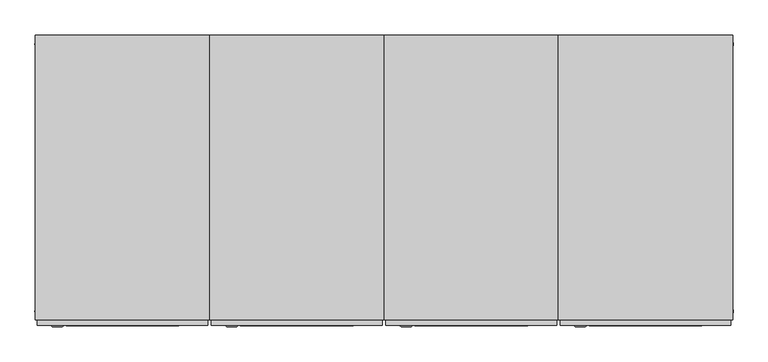
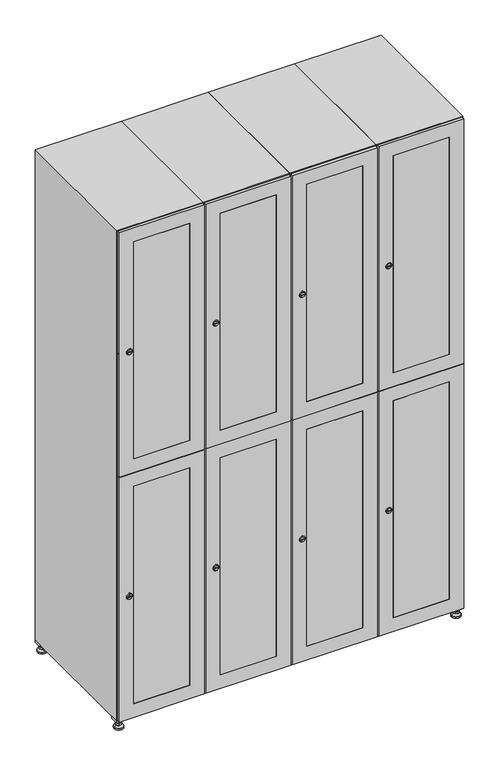
"""IFC4 building model written with IfcOpenShell, lengths in millimetres: furniture geometry."""

from ifc_helpers import new_model, si_unit, point, frame, frame_2d, origin, origin_with_axes, place, context, project, spatial, polyline, circle_curve, trimmed, segment, composite_curve, outline, extrude, faceted_brep, source, transform, mapped, element, save
from ifc_brep_helpers import plane_surface, revolved_surface, advanced_brep


def furniture_bf72d0c6(model_context):
    return source(origin(), model_context, "Body", "SolidModel", [
        extrude(outline(polyline([(1000.0, 245.0), (1000.0, 215.0), (970.0, 215.0), (970.0, 245.0), (1000.0, 245.0)]), holes=[polyline([(998.0, 243.0), (972.0, 243.0), (972.0, 217.0), (998.0, 217.0), (998.0, 243.0)])]), frame((0.0, 0.0, 28.5), z_axis=(0.0, 0.0, 1.0), x_axis=(1.0, 0.0, 0.0)), (0.0, 0.0, 1.0), 6.5),
        extrude(outline(polyline([(970.0, -245.0), (970.0, -215.0), (1000.0, -215.0), (1000.0, -245.0), (970.0, -245.0)]), holes=[polyline([(972.0, -243.0), (998.0, -243.0), (998.0, -217.0), (972.0, -217.0), (972.0, -243.0)])]), frame((0.0, 0.0, 28.5), z_axis=(0.0, 0.0, 1.0), x_axis=(1.0, 0.0, 0.0)), (0.0, 0.0, 1.0), 6.5),
        extrude(outline(polyline([(-170.0, 245.0), (-170.0, 215.0), (-200.0, 215.0), (-200.0, 245.0), (-170.0, 245.0)]), holes=[polyline([(-172.0, 243.0), (-198.0, 243.0), (-198.0, 217.0), (-172.0, 217.0), (-172.0, 243.0)])]), frame((0.0, 0.0, 28.5), z_axis=(0.0, 0.0, 1.0), x_axis=(1.0, 0.0, 0.0)), (0.0, 0.0, 1.0), 6.5),
        extrude(outline(polyline([(-170.0, -215.0), (-170.0, -245.0), (-200.0, -245.0), (-200.0, -215.0), (-170.0, -215.0)]), holes=[polyline([(-198.0, -243.0), (-172.0, -243.0), (-172.0, -217.0), (-198.0, -217.0), (-198.0, -243.0)])]), frame((0.0, 0.0, 28.5), z_axis=(0.0, 0.0, 1.0), x_axis=(1.0, 0.0, 0.0)), (0.0, 0.0, 1.0), 6.5),
        extrude(outline(composite_curve([segment(trimmed(circle_curve(frame_2d((-185.0, 230.0)), 5.0), [point((-180.0, 230.0))], [point((-190.0, 230.0))], False, "CARTESIAN"), True, "CONTINUOUS"), segment(trimmed(circle_curve(frame_2d((-185.0, 230.0)), 5.0), [point((-190.0, 230.0))], [point((-180.0, 230.0))], False, "CARTESIAN"), True, "CONTINUOUS")], self_intersect=False)), frame((0.0, 0.0, 19.6), z_axis=(0.0, 0.0, 1.0), x_axis=(1.0, 0.0, 0.0)), (0.0, 0.0, 1.0), 15.4),
        extrude(outline(composite_curve([segment(trimmed(circle_curve(frame_2d((-185.0, -230.0)), 5.0), [point((-180.0, -230.0))], [point((-190.0, -230.0))], False, "CARTESIAN"), True, "CONTINUOUS"), segment(trimmed(circle_curve(frame_2d((-185.0, -230.0)), 5.0), [point((-190.0, -230.0))], [point((-180.0, -230.0))], False, "CARTESIAN"), True, "CONTINUOUS")], self_intersect=False)), frame((0.0, 0.0, 19.6), z_axis=(0.0, 0.0, 1.0), x_axis=(1.0, 0.0, 0.0)), (0.0, 0.0, 1.0), 15.4),
        extrude(outline(composite_curve([segment(trimmed(circle_curve(frame_2d((985.0, 230.0)), 5.0), [point((990.0, 230.0))], [point((980.0, 230.0))], False, "CARTESIAN"), True, "CONTINUOUS"), segment(trimmed(circle_curve(frame_2d((985.0, 230.0)), 5.0), [point((980.0, 230.0))], [point((990.0, 230.0))], False, "CARTESIAN"), True, "CONTINUOUS")], self_intersect=False)), frame((0.0, 0.0, 19.6), z_axis=(0.0, 0.0, 1.0), x_axis=(1.0, 0.0, 0.0)), (0.0, 0.0, 1.0), 15.4),
        extrude(outline(polyline([(973.4529946, 230.0), (979.2264973, 240.0), (990.7735027, 240.0), (996.5470054, 230.0), (990.7735027, 220.0), (979.2264973, 220.0), (973.4529946, 230.0)])), frame((0.0, 0.0, 13.6), z_axis=(0.0, 0.0, 1.0), x_axis=(1.0, 0.0, 0.0)), (0.0, 0.0, 1.0), 6.0),
        extrude(outline(composite_curve([segment(trimmed(circle_curve(frame_2d((985.0, -230.0)), 5.0), [point((990.0, -230.0))], [point((980.0, -230.0))], False, "CARTESIAN"), True, "CONTINUOUS"), segment(trimmed(circle_curve(frame_2d((985.0, -230.0)), 5.0), [point((980.0, -230.0))], [point((990.0, -230.0))], False, "CARTESIAN"), True, "CONTINUOUS")], self_intersect=False)), frame((0.0, 0.0, 19.6), z_axis=(0.0, 0.0, 1.0), x_axis=(1.0, 0.0, 0.0)), (0.0, 0.0, 1.0), 15.4),
        extrude(outline(polyline([(973.4529946, -230.0), (979.2264973, -220.0), (990.7735027, -220.0), (996.5470054, -230.0), (990.7735027, -240.0), (979.2264973, -240.0), (973.4529946, -230.0)])), frame((0.0, 0.0, 13.6), z_axis=(0.0, 0.0, 1.0), x_axis=(1.0, 0.0, 0.0)), (0.0, 0.0, 1.0), 6.0),
        extrude(outline(composite_curve([segment(trimmed(circle_curve(frame_2d((985.0, 230.0)), 5.0), [point((990.0, 230.0))], [point((980.0, 230.0))], False, "CARTESIAN"), True, "CONTINUOUS"), segment(trimmed(circle_curve(frame_2d((985.0, 230.0)), 5.0), [point((980.0, 230.0))], [point((990.0, 230.0))], False, "CARTESIAN"), True, "CONTINUOUS")], self_intersect=False)), frame((0.0, 0.0, 12.1), z_axis=(0.0, 0.0, 1.0), x_axis=(1.0, 0.0, 0.0)), (0.0, 0.0, 1.0), 1.5),
        extrude(outline(composite_curve([segment(trimmed(circle_curve(frame_2d((985.0, -230.0)), 5.0), [point((990.0, -230.0))], [point((980.0, -230.0))], False, "CARTESIAN"), True, "CONTINUOUS"), segment(trimmed(circle_curve(frame_2d((985.0, -230.0)), 5.0), [point((980.0, -230.0))], [point((990.0, -230.0))], False, "CARTESIAN"), True, "CONTINUOUS")], self_intersect=False)), frame((0.0, 0.0, 12.1), z_axis=(0.0, 0.0, 1.0), x_axis=(1.0, 0.0, 0.0)), (0.0, 0.0, 1.0), 1.5),
        extrude(outline(polyline([(-196.5470054, 230.0), (-190.7735027, 240.0), (-179.2264973, 240.0), (-173.4529946, 230.0), (-179.2264973, 220.0), (-190.7735027, 220.0), (-196.5470054, 230.0)])), frame((0.0, 0.0, 13.6), z_axis=(0.0, 0.0, 1.0), x_axis=(1.0, 0.0, 0.0)), (0.0, 0.0, 1.0), 6.0),
        extrude(outline(polyline([(-196.5470054, -230.0), (-190.7735027, -220.0), (-179.2264973, -220.0), (-173.4529946, -230.0), (-179.2264973, -240.0), (-190.7735027, -240.0), (-196.5470054, -230.0)])), frame((0.0, 0.0, 13.6), z_axis=(0.0, 0.0, 1.0), x_axis=(1.0, 0.0, 0.0)), (0.0, 0.0, 1.0), 6.0),
        extrude(outline(composite_curve([segment(trimmed(circle_curve(frame_2d((-185.0, 230.0)), 5.0), [point((-185.0, 235.0))], [point((-185.0, 225.0))], False, "CARTESIAN"), True, "CONTINUOUS"), segment(trimmed(circle_curve(frame_2d((-185.0, 230.0)), 5.0), [point((-185.0, 225.0))], [point((-185.0, 235.0))], False, "CARTESIAN"), True, "CONTINUOUS")], self_intersect=False)), frame((0.0, 0.0, 12.1), z_axis=(0.0, 0.0, 1.0), x_axis=(1.0, 0.0, 0.0)), (0.0, 0.0, 1.0), 1.5),
        extrude(outline(composite_curve([segment(trimmed(circle_curve(frame_2d((-185.0, -230.0)), 5.0), [point((-180.0, -230.0))], [point((-190.0, -230.0))], False, "CARTESIAN"), True, "CONTINUOUS"), segment(trimmed(circle_curve(frame_2d((-185.0, -230.0)), 5.0), [point((-190.0, -230.0))], [point((-180.0, -230.0))], False, "CARTESIAN"), True, "CONTINUOUS")], self_intersect=False)), frame((0.0, 0.0, 12.1), z_axis=(0.0, 0.0, 1.0), x_axis=(1.0, 0.0, 0.0)), (0.0, 0.0, 1.0), 1.5),
        extrude(outline(composite_curve([segment(trimmed(circle_curve(frame_2d((985.0, 230.0)), 15.75), [point((1000.75, 230.0))], [point((969.25, 230.0))], False, "CARTESIAN"), True, "CONTINUOUS"), segment(trimmed(circle_curve(frame_2d((985.0, 230.0)), 15.75), [point((969.25, 230.0))], [point((1000.75, 230.0))], False, "CARTESIAN"), True, "CONTINUOUS")], self_intersect=False)), origin_with_axes(), (0.0, 0.0, 1.0), 5.1),
        extrude(outline(composite_curve([segment(trimmed(circle_curve(frame_2d((985.0, -230.0)), 15.75), [point((985.0, -214.25))], [point((985.0, -245.75))], False, "CARTESIAN"), True, "CONTINUOUS"), segment(trimmed(circle_curve(frame_2d((985.0, -230.0)), 15.75), [point((985.0, -245.75))], [point((985.0, -214.25))], False, "CARTESIAN"), True, "CONTINUOUS")], self_intersect=False)), origin_with_axes(), (0.0, 0.0, 1.0), 5.1),
        extrude(outline(composite_curve([segment(trimmed(circle_curve(frame_2d((-185.0, -230.0)), 15.75), [point((-169.25, -230.0))], [point((-200.75, -230.0))], False, "CARTESIAN"), True, "CONTINUOUS"), segment(trimmed(circle_curve(frame_2d((-185.0, -230.0)), 15.75), [point((-200.75, -230.0))], [point((-169.25, -230.0))], False, "CARTESIAN"), True, "CONTINUOUS")], self_intersect=False)), origin_with_axes(), (0.0, 0.0, 1.0), 5.1),
        extrude(outline(composite_curve([segment(trimmed(circle_curve(frame_2d((-185.0, 230.0)), 15.75), [point((-169.25, 230.0))], [point((-200.75, 230.0))], False, "CARTESIAN"), True, "CONTINUOUS"), segment(trimmed(circle_curve(frame_2d((-185.0, 230.0)), 15.75), [point((-200.75, 230.0))], [point((-169.25, 230.0))], False, "CARTESIAN"), True, "CONTINUOUS")], self_intersect=False)), origin_with_axes(), (0.0, 0.0, 1.0), 5.1),
        advanced_brep(
        [(-185.0, 239.5, 12.1), (-185.0, 220.5, 12.1), (-185.0, 214.25, 5.1), (-185.0, 245.75, 5.1)],
        [
            (0, 1, circle_curve(frame((-185.0, 230.0, 12.1), z_axis=(0.0, 0.0, -1.0), x_axis=(0.0, 1.0, 0.0)), 9.5)),
            (1, 2),
            (2, 3, circle_curve(frame((-185.0, 230.0, 5.1), z_axis=(0.0, 0.0, 1.0), x_axis=(0.0, 1.0, 0.0)), 15.75)),
            (3, 0),
            (1, 0, circle_curve(frame((-185.0, 230.0, 12.1), z_axis=(0.0, 0.0, -1.0), x_axis=(0.0, -1.0, 0.0)), 9.5)),
            (3, 2, circle_curve(frame((-185.0, 230.0, 5.1), z_axis=(0.0, 0.0, 1.0), x_axis=(0.0, -1.0, 0.0)), 15.75)),
        ],
        [
            revolved_surface(polyline([(-185.0, 220.5, 12.099999999999998), (-185.0, 214.25, 5.099999999999998)]), (-185.0, 230.0, 22.74), (0.0, 0.0, -1.0)),
            revolved_surface(polyline([(-185.0, 239.5, 12.099999999999998), (-185.0, 245.75, 5.099999999999998)]), (-185.0, 230.0, 22.74), (0.0, 0.0, -1.0)),
            plane_surface(frame((-185.0, 230.0, 5.1), z_axis=(0.0, 0.0, -1.0), x_axis=(1.0, 0.0, 0.0))),
            plane_surface(frame((-185.0, 230.0, 12.1), z_axis=(0.0, 0.0, 1.0), x_axis=(1.0, 0.0, 0.0))),
        ],
        [
            (0, [[1, 2, 3, 4]]),
            (1, [[5, -4, 6, -2]]),
            (2, [[-3, -6]]),
            (3, [[-5, -1]]),
        ],
    ),
        advanced_brep(
        [(985.0, 239.5, 12.1), (985.0, 220.5, 12.1), (985.0, 214.25, 5.1), (985.0, 245.75, 5.1)],
        [
            (0, 1, circle_curve(frame((985.0, 230.0, 12.1), z_axis=(0.0, 0.0, -1.0), x_axis=(0.0, 1.0, 0.0)), 9.5)),
            (1, 2),
            (2, 3, circle_curve(frame((985.0, 230.0, 5.1), z_axis=(0.0, 0.0, 1.0), x_axis=(0.0, 1.0, 0.0)), 15.75)),
            (3, 0),
            (1, 0, circle_curve(frame((985.0, 230.0, 12.1), z_axis=(0.0, 0.0, -1.0), x_axis=(0.0, -1.0, 0.0)), 9.5)),
            (3, 2, circle_curve(frame((985.0, 230.0, 5.1), z_axis=(0.0, 0.0, 1.0), x_axis=(0.0, -1.0, 0.0)), 15.75)),
        ],
        [
            revolved_surface(polyline([(985.0, 220.5, 12.099999999999998), (985.0, 214.25, 5.099999999999998)]), (985.0, 230.0, 22.74), (0.0, 0.0, -1.0)),
            revolved_surface(polyline([(985.0, 239.5, 12.099999999999998), (985.0, 245.75, 5.099999999999998)]), (985.0, 230.0, 22.74), (0.0, 0.0, -1.0)),
            plane_surface(frame((985.0, 230.0, 5.1), z_axis=(0.0, 0.0, -1.0), x_axis=(1.0, 0.0, 0.0))),
            plane_surface(frame((985.0, 230.0, 12.1), z_axis=(0.0, 0.0, 1.0), x_axis=(1.0, 0.0, 0.0))),
        ],
        [
            (0, [[1, 2, 3, 4]]),
            (1, [[5, -4, 6, -2]]),
            (2, [[-3, -6]]),
            (3, [[-5, -1]]),
        ],
    ),
        advanced_brep(
        [(1000.75, -230.0, 5.1), (969.25, -230.0, 5.1), (975.5, -230.0, 12.1), (994.5, -230.0, 12.1)],
        [
            (0, 1, circle_curve(frame((985.0, -230.0, 5.1), z_axis=(0.0, 0.0, 1.0), x_axis=(1.0, 0.0, 0.0)), 15.75)),
            (1, 2),
            (2, 3, circle_curve(frame((985.0, -230.0, 12.1), z_axis=(0.0, 0.0, -1.0), x_axis=(1.0, 0.0, 0.0)), 9.5)),
            (3, 0),
            (1, 0, circle_curve(frame((985.0, -230.0, 5.1), z_axis=(0.0, 0.0, 1.0), x_axis=(-1.0, 0.0, 0.0)), 15.75)),
            (3, 2, circle_curve(frame((985.0, -230.0, 12.1), z_axis=(0.0, 0.0, -1.0), x_axis=(-1.0, 0.0, 0.0)), 9.5)),
        ],
        [
            revolved_surface(polyline([(994.5, -230.0, 12.099999999999998), (1000.75, -230.0, 5.099999999999998)]), (985.0, -230.0, 22.74), (0.0, 0.0, -1.0)),
            revolved_surface(polyline([(975.5, -230.0, 12.099999999999998), (969.25, -230.0, 5.099999999999998)]), (985.0, -230.0, 22.74), (0.0, 0.0, -1.0)),
            plane_surface(frame((985.0, -230.0, 12.1), z_axis=(0.0, 0.0, 1.0), x_axis=(0.0, 1.0, 0.0))),
            plane_surface(frame((985.0, -230.0, 5.1), z_axis=(0.0, 0.0, -1.0), x_axis=(0.0, 1.0, 0.0))),
        ],
        [
            (0, [[1, 2, 3, 4]]),
            (1, [[5, -4, 6, -2]]),
            (2, [[-3, -6]]),
            (3, [[-5, -1]]),
        ],
    ),
        advanced_brep(
        [(-169.25, -230.0, 5.1), (-200.75, -230.0, 5.1), (-194.5, -230.0, 12.1), (-175.5, -230.0, 12.1)],
        [
            (0, 1, circle_curve(frame((-185.0, -230.0, 5.1), z_axis=(0.0, 0.0, 1.0), x_axis=(1.0, 0.0, 0.0)), 15.75)),
            (1, 2),
            (2, 3, circle_curve(frame((-185.0, -230.0, 12.1), z_axis=(0.0, 0.0, -1.0), x_axis=(1.0, 0.0, 0.0)), 9.5)),
            (3, 0),
            (1, 0, circle_curve(frame((-185.0, -230.0, 5.1), z_axis=(0.0, 0.0, 1.0), x_axis=(-1.0, 0.0, 0.0)), 15.75)),
            (3, 2, circle_curve(frame((-185.0, -230.0, 12.1), z_axis=(0.0, 0.0, -1.0), x_axis=(-1.0, 0.0, 0.0)), 9.5)),
        ],
        [
            revolved_surface(polyline([(-175.5, -230.0, 12.099999999999998), (-169.25, -230.0, 5.099999999999998)]), (-185.0, -230.0, 22.74), (0.0, 0.0, -1.0)),
            revolved_surface(polyline([(-194.5, -230.0, 12.099999999999998), (-200.75, -230.0, 5.099999999999998)]), (-185.0, -230.0, 22.74), (0.0, 0.0, -1.0)),
            plane_surface(frame((-185.0, -230.0, 12.1), z_axis=(0.0, 0.0, 1.0), x_axis=(0.0, 1.0, 0.0))),
            plane_surface(frame((-185.0, -230.0, 5.1), z_axis=(0.0, 0.0, -1.0), x_axis=(0.0, 1.0, 0.0))),
        ],
        [
            (0, [[1, 2, 3, 4]]),
            (1, [[5, -4, 6, -2]]),
            (2, [[-3, -6]]),
            (3, [[-5, -1]]),
        ],
    ),
        extrude(outline(composite_curve([segment(trimmed(circle_curve(frame_2d((1383.5, 711.2010534)), 7.0), [point((1390.5, 711.2010534))], [point((1376.5, 711.2010534))], False, "CARTESIAN"), True, "CONTINUOUS"), segment(polyline([(1376.5, 711.2010534), (1376.5, 739.2010534)]), True, "CONTINUOUS"), segment(trimmed(circle_curve(frame_2d((1383.5, 739.2010534)), 7.0), [point((1376.5, 739.2010534))], [point((1390.5, 739.2010534))], False, "CARTESIAN"), True, "CONTINUOUS"), segment(polyline([(1390.5, 739.2010534), (1390.5, 711.2010534)]), True, "CONTINUOUS")], self_intersect=False)), frame((0.0, -245.0, 0.0), z_axis=(0.0, 1.0, 0.0), x_axis=(0.0, 0.0, 1.0)), (0.0, 0.0, 1.0), 2.0),
        advanced_brep(
        [(746.5, -257.2, 1383.5), (729.5, -257.2, 1383.5), (733.0, -257.2, 1382.25), (733.0, -257.2, 1384.75), (743.0, -257.2, 1384.75), (743.0, -257.2, 1382.25), (748.5, -255.0, 1383.5), (727.5, -255.0, 1383.5), (733.0, -255.0, 1384.75), (733.0, -255.0, 1382.25), (743.0, -255.0, 1382.25), (743.0, -255.0, 1384.75)],
        [
            (0, 1, circle_curve(frame((738.0, -257.2, 1383.5), z_axis=(0.0, -1.0, 0.0), x_axis=(1.0, 0.0, 0.0)), 8.5)),
            (1, 0, circle_curve(frame((738.0, -257.2, 1383.5), z_axis=(0.0, -1.0, 0.0), x_axis=(-1.0, 0.0, 0.0)), 8.5)),
            (2, 3),
            (3, 4),
            (4, 5),
            (5, 2),
            (6, 7, circle_curve(frame((738.0, -255.0, 1383.5), z_axis=(0.0, 1.0, 0.0), x_axis=(-1.0, 0.0, 0.0)), 10.5)),
            (7, 6, circle_curve(frame((738.0, -255.0, 1383.5), z_axis=(0.0, 1.0, 0.0), x_axis=(1.0, 0.0, 0.0)), 10.5)),
            (8, 9),
            (9, 10),
            (10, 11),
            (11, 8),
            (0, 6),
            (7, 1),
            (8, 3),
            (2, 9),
            (11, 4),
            (10, 5),
        ],
        [
            plane_surface(frame((738.0, -257.2, 1383.5), z_axis=(0.0, -1.0, 0.0), x_axis=(0.0, 0.0, 1.0))),
            plane_surface(frame((738.0, -255.0, 1383.5), z_axis=(0.0, 1.0, 0.0), x_axis=(0.0, 0.0, 1.0))),
            revolved_surface(polyline([(746.5, -257.2, 1383.5), (748.5, -255.0, 1383.5)]), (738.0, -266.55, 1383.5), (0.0, 1.0, 0.0)),
            revolved_surface(polyline([(729.5, -257.2, 1383.5), (727.5, -255.0, 1383.5)]), (738.0, -266.55, 1383.5), (0.0, 1.0, 0.0)),
            plane_surface(frame((733.0, -255.0, 1382.25), z_axis=(1.0, 0.0, 0.0), x_axis=(0.0, -1.0, 0.0))),
            plane_surface(frame((733.0, -255.0, 1384.75), z_axis=(0.0, 0.0, -1.0), x_axis=(0.0, -1.0, 0.0))),
            plane_surface(frame((743.0, -255.0, 1384.75), z_axis=(-1.0, 0.0, 0.0), x_axis=(0.0, -1.0, 0.0))),
            plane_surface(frame((743.0, -255.0, 1382.25), z_axis=(0.0, 0.0, 1.0), x_axis=(0.0, -1.0, 0.0))),
        ],
        [
            (0, [[1, 2], [3, 4, 5, 6]]),
            (1, [[7, 8], [9, 10, 11, 12]]),
            (2, [[-1, 13, -8, 14]]),
            (3, [[-2, -14, -7, -13]]),
            (4, [[15, -3, 16, -9]]),
            (5, [[-15, -12, 17, -4]]),
            (6, [[-17, -11, 18, -5]]),
            (7, [[-16, -6, -18, -10]]),
        ],
    ),
        extrude(outline(composite_curve([segment(trimmed(circle_curve(frame_2d((486.5, 711.2010534)), 7.0), [point((493.5, 711.2010534))], [point((479.5, 711.2010534))], False, "CARTESIAN"), True, "CONTINUOUS"), segment(polyline([(479.5, 711.2010534), (479.5, 739.2010534)]), True, "CONTINUOUS"), segment(trimmed(circle_curve(frame_2d((486.5, 739.2010534)), 7.0), [point((479.5, 739.2010534))], [point((493.5, 739.2010534))], False, "CARTESIAN"), True, "CONTINUOUS"), segment(polyline([(493.5, 739.2010534), (493.5, 711.2010534)]), True, "CONTINUOUS")], self_intersect=False)), frame((0.0, -245.0, 0.0), z_axis=(0.0, 1.0, 0.0), x_axis=(0.0, 0.0, 1.0)), (0.0, 0.0, 1.0), 2.0),
        advanced_brep(
        [(746.5, -257.2, 486.5), (729.5, -257.2, 486.5), (733.0, -257.2, 485.25), (733.0, -257.2, 487.75), (743.0, -257.2, 487.75), (743.0, -257.2, 485.25), (748.5, -255.0, 486.5), (727.5, -255.0, 486.5), (733.0, -255.0, 487.75), (733.0, -255.0, 485.25), (743.0, -255.0, 485.25), (743.0, -255.0, 487.75)],
        [
            (0, 1, circle_curve(frame((738.0, -257.2, 486.5), z_axis=(0.0, -1.0, 0.0), x_axis=(1.0, 0.0, 0.0)), 8.5)),
            (1, 0, circle_curve(frame((738.0, -257.2, 486.5), z_axis=(0.0, -1.0, 0.0), x_axis=(-1.0, 0.0, 0.0)), 8.5)),
            (2, 3),
            (3, 4),
            (4, 5),
            (5, 2),
            (6, 7, circle_curve(frame((738.0, -255.0, 486.5), z_axis=(0.0, 1.0, 0.0), x_axis=(-1.0, 0.0, 0.0)), 10.5)),
            (7, 6, circle_curve(frame((738.0, -255.0, 486.5), z_axis=(0.0, 1.0, 0.0), x_axis=(1.0, 0.0, 0.0)), 10.5)),
            (8, 9),
            (9, 10),
            (10, 11),
            (11, 8),
            (0, 6),
            (7, 1),
            (8, 3),
            (2, 9),
            (11, 4),
            (10, 5),
        ],
        [
            plane_surface(frame((738.0, -257.2, 486.5), z_axis=(0.0, -1.0, 0.0), x_axis=(0.0, 0.0, 1.0))),
            plane_surface(frame((738.0, -255.0, 486.5), z_axis=(0.0, 1.0, 0.0), x_axis=(0.0, 0.0, 1.0))),
            revolved_surface(polyline([(746.5, -257.2, 486.5), (748.5, -255.0, 486.5)]), (738.0, -266.55, 486.5), (0.0, 1.0, 0.0)),
            revolved_surface(polyline([(729.5, -257.2, 486.5), (727.5, -255.0, 486.5)]), (738.0, -266.55, 486.5), (0.0, 1.0, 0.0)),
            plane_surface(frame((733.0, -255.0, 485.25), z_axis=(1.0, 0.0, 0.0), x_axis=(0.0, -1.0, 0.0))),
            plane_surface(frame((733.0, -255.0, 487.75), z_axis=(0.0, 0.0, -1.0), x_axis=(0.0, -1.0, 0.0))),
            plane_surface(frame((743.0, -255.0, 487.75), z_axis=(-1.0, 0.0, 0.0), x_axis=(0.0, -1.0, 0.0))),
            plane_surface(frame((743.0, -255.0, 485.25), z_axis=(0.0, 0.0, 1.0), x_axis=(0.0, -1.0, 0.0))),
        ],
        [
            (0, [[1, 2], [3, 4, 5, 6]]),
            (1, [[7, 8], [9, 10, 11, 12]]),
            (2, [[-1, 13, -8, 14]]),
            (3, [[-2, -14, -7, -13]]),
            (4, [[15, -3, 16, -9]]),
            (5, [[-15, -12, 17, -4]]),
            (6, [[-17, -11, 18, -5]]),
            (7, [[-16, -6, -18, -10]]),
        ],
    ),
        extrude(outline(polyline([(935.5, 997.0), (1832.0, 997.0), (1832.0, 703.0), (935.5, 703.0), (935.5, 997.0)]), holes=[polyline([(1782.0, 753.0), (1782.0, 947.0), (985.5, 947.0), (985.5, 753.0), (1782.0, 753.0)])]), frame((0.0, -255.0, 0.0), z_axis=(0.0, 1.0, 0.0), x_axis=(0.0, 0.0, 1.0)), (0.0, 0.0, 1.0), 10.0),
        extrude(outline(polyline([(934.5, 703.0), (38.0, 703.0), (38.0, 997.0), (934.5, 997.0), (934.5, 703.0)]), holes=[polyline([(88.0, 753.0), (884.5, 753.0), (884.5, 947.0), (88.0, 947.0), (88.0, 753.0)])]), frame((0.0, -255.0, 0.0), z_axis=(0.0, 1.0, 0.0), x_axis=(0.0, 0.0, 1.0)), (0.0, 0.0, 1.0), 10.0),
        extrude(outline(polyline([(947.0, -255.0), (753.0, -255.0), (753.0, -245.0), (947.0, -245.0), (947.0, -255.0)])), frame((0.0, 0.0, 985.5), z_axis=(0.0, 0.0, 1.0), x_axis=(1.0, 0.0, 0.0)), (0.0, 0.0, 1.0), 796.5),
        extrude(outline(polyline([(947.0, -255.0), (753.0, -255.0), (753.0, -245.0), (947.0, -245.0), (947.0, -255.0)])), frame((0.0, 0.0, 88.0), z_axis=(0.0, 0.0, 1.0), x_axis=(1.0, 0.0, 0.0)), (0.0, 0.0, 1.0), 796.5),
        extrude(outline(polyline([(979.6, 242.0), (979.6, -235.0), (720.4, -235.0), (720.4, 242.0), (979.6, 242.0)])), frame((0.0, 0.0, 924.8), z_axis=(0.0, 0.0, 1.0), x_axis=(1.0, 0.0, 0.0)), (0.0, 0.0, 1.0), 20.4),
        faceted_brep([(1000.0, -245.0, 35.0), (1000.0, -245.0, 1835.0), (700.0, -245.0, 1835.0), (700.0, -245.0, 35.0), (979.6, -245.0, 1804.8), (979.6, -245.0, 65.2), (720.4, -245.0, 65.2), (720.4, -245.0, 1804.8), (1000.0, 245.0, 35.0), (700.0, 245.0, 35.0), (1000.0, 245.0, 1835.0), (700.0, 245.0, 1835.0), (979.6, 242.0, 1804.8), (979.6, 242.0, 65.2), (700.0, 245.0, 1804.8), (720.4, 242.0, 1804.8), (720.4, 242.0, 65.2)], [[[0, 1, 2, 3], [4, 5, 6, 7]], [[8, 0, 3, 9]], [[1, 0, 8, 10]], [[1, 10, 11, 2]], [[4, 12, 13, 5]], [[9, 3, 2, 11, 14]], [[10, 8, 9, 14, 11]], [[12, 15, 16, 13]], [[15, 7, 6, 16]], [[4, 7, 15, 12]], [[6, 5, 13, 16]]]),
        extrude(outline(composite_curve([segment(trimmed(circle_curve(frame_2d((1383.5, 411.2010534)), 7.0), [point((1390.5, 411.2010534))], [point((1376.5, 411.2010534))], False, "CARTESIAN"), True, "CONTINUOUS"), segment(polyline([(1376.5, 411.2010534), (1376.5, 439.2010534)]), True, "CONTINUOUS"), segment(trimmed(circle_curve(frame_2d((1383.5, 439.2010534)), 7.0), [point((1376.5, 439.2010534))], [point((1390.5, 439.2010534))], False, "CARTESIAN"), True, "CONTINUOUS"), segment(polyline([(1390.5, 439.2010534), (1390.5, 411.2010534)]), True, "CONTINUOUS")], self_intersect=False)), frame((0.0, -245.0, 0.0), z_axis=(0.0, 1.0, 0.0), x_axis=(0.0, 0.0, 1.0)), (0.0, 0.0, 1.0), 2.0),
        advanced_brep(
        [(446.5, -257.2, 1383.5), (429.5, -257.2, 1383.5), (433.0, -257.2, 1382.25), (433.0, -257.2, 1384.75), (443.0, -257.2, 1384.75), (443.0, -257.2, 1382.25), (448.5, -255.0, 1383.5), (427.5, -255.0, 1383.5), (433.0, -255.0, 1384.75), (433.0, -255.0, 1382.25), (443.0, -255.0, 1382.25), (443.0, -255.0, 1384.75)],
        [
            (0, 1, circle_curve(frame((438.0, -257.2, 1383.5), z_axis=(0.0, -1.0, 0.0), x_axis=(1.0, 0.0, 0.0)), 8.5)),
            (1, 0, circle_curve(frame((438.0, -257.2, 1383.5), z_axis=(0.0, -1.0, 0.0), x_axis=(-1.0, 0.0, 0.0)), 8.5)),
            (2, 3),
            (3, 4),
            (4, 5),
            (5, 2),
            (6, 7, circle_curve(frame((438.0, -255.0, 1383.5), z_axis=(0.0, 1.0, 0.0), x_axis=(-1.0, 0.0, 0.0)), 10.5)),
            (7, 6, circle_curve(frame((438.0, -255.0, 1383.5), z_axis=(0.0, 1.0, 0.0), x_axis=(1.0, 0.0, 0.0)), 10.5)),
            (8, 9),
            (9, 10),
            (10, 11),
            (11, 8),
            (0, 6),
            (7, 1),
            (8, 3),
            (2, 9),
            (11, 4),
            (10, 5),
        ],
        [
            plane_surface(frame((438.0, -257.2, 1383.5), z_axis=(0.0, -1.0, 0.0), x_axis=(0.0, 0.0, 1.0))),
            plane_surface(frame((438.0, -255.0, 1383.5), z_axis=(0.0, 1.0, 0.0), x_axis=(0.0, 0.0, 1.0))),
            revolved_surface(polyline([(446.5, -257.2, 1383.5), (448.5, -255.0, 1383.5)]), (438.0, -266.55, 1383.5), (0.0, 1.0, 0.0)),
            revolved_surface(polyline([(429.5, -257.2, 1383.5), (427.5, -255.0, 1383.5)]), (438.0, -266.55, 1383.5), (0.0, 1.0, 0.0)),
            plane_surface(frame((433.0, -255.0, 1382.25), z_axis=(1.0, 0.0, 0.0), x_axis=(0.0, -1.0, 0.0))),
            plane_surface(frame((433.0, -255.0, 1384.75), z_axis=(0.0, 0.0, -1.0), x_axis=(0.0, -1.0, 0.0))),
            plane_surface(frame((443.0, -255.0, 1384.75), z_axis=(-1.0, 0.0, 0.0), x_axis=(0.0, -1.0, 0.0))),
            plane_surface(frame((443.0, -255.0, 1382.25), z_axis=(0.0, 0.0, 1.0), x_axis=(0.0, -1.0, 0.0))),
        ],
        [
            (0, [[1, 2], [3, 4, 5, 6]]),
            (1, [[7, 8], [9, 10, 11, 12]]),
            (2, [[-1, 13, -8, 14]]),
            (3, [[-2, -14, -7, -13]]),
            (4, [[15, -3, 16, -9]]),
            (5, [[-15, -12, 17, -4]]),
            (6, [[-17, -11, 18, -5]]),
            (7, [[-16, -6, -18, -10]]),
        ],
    ),
        extrude(outline(composite_curve([segment(trimmed(circle_curve(frame_2d((486.5, 411.2010534)), 7.0), [point((493.5, 411.2010534))], [point((479.5, 411.2010534))], False, "CARTESIAN"), True, "CONTINUOUS"), segment(polyline([(479.5, 411.2010534), (479.5, 439.2010534)]), True, "CONTINUOUS"), segment(trimmed(circle_curve(frame_2d((486.5, 439.2010534)), 7.0), [point((479.5, 439.2010534))], [point((493.5, 439.2010534))], False, "CARTESIAN"), True, "CONTINUOUS"), segment(polyline([(493.5, 439.2010534), (493.5, 411.2010534)]), True, "CONTINUOUS")], self_intersect=False)), frame((0.0, -245.0, 0.0), z_axis=(0.0, 1.0, 0.0), x_axis=(0.0, 0.0, 1.0)), (0.0, 0.0, 1.0), 2.0),
        advanced_brep(
        [(446.5, -257.2, 486.5), (429.5, -257.2, 486.5), (433.0, -257.2, 485.25), (433.0, -257.2, 487.75), (443.0, -257.2, 487.75), (443.0, -257.2, 485.25), (448.5, -255.0, 486.5), (427.5, -255.0, 486.5), (433.0, -255.0, 487.75), (433.0, -255.0, 485.25), (443.0, -255.0, 485.25), (443.0, -255.0, 487.75)],
        [
            (0, 1, circle_curve(frame((438.0, -257.2, 486.5), z_axis=(0.0, -1.0, 0.0), x_axis=(1.0, 0.0, 0.0)), 8.5)),
            (1, 0, circle_curve(frame((438.0, -257.2, 486.5), z_axis=(0.0, -1.0, 0.0), x_axis=(-1.0, 0.0, 0.0)), 8.5)),
            (2, 3),
            (3, 4),
            (4, 5),
            (5, 2),
            (6, 7, circle_curve(frame((438.0, -255.0, 486.5), z_axis=(0.0, 1.0, 0.0), x_axis=(-1.0, 0.0, 0.0)), 10.5)),
            (7, 6, circle_curve(frame((438.0, -255.0, 486.5), z_axis=(0.0, 1.0, 0.0), x_axis=(1.0, 0.0, 0.0)), 10.5)),
            (8, 9),
            (9, 10),
            (10, 11),
            (11, 8),
            (0, 6),
            (7, 1),
            (8, 3),
            (2, 9),
            (11, 4),
            (10, 5),
        ],
        [
            plane_surface(frame((438.0, -257.2, 486.5), z_axis=(0.0, -1.0, 0.0), x_axis=(0.0, 0.0, 1.0))),
            plane_surface(frame((438.0, -255.0, 486.5), z_axis=(0.0, 1.0, 0.0), x_axis=(0.0, 0.0, 1.0))),
            revolved_surface(polyline([(446.5, -257.2, 486.5), (448.5, -255.0, 486.5)]), (438.0, -266.55, 486.5), (0.0, 1.0, 0.0)),
            revolved_surface(polyline([(429.5, -257.2, 486.5), (427.5, -255.0, 486.5)]), (438.0, -266.55, 486.5), (0.0, 1.0, 0.0)),
            plane_surface(frame((433.0, -255.0, 485.25), z_axis=(1.0, 0.0, 0.0), x_axis=(0.0, -1.0, 0.0))),
            plane_surface(frame((433.0, -255.0, 487.75), z_axis=(0.0, 0.0, -1.0), x_axis=(0.0, -1.0, 0.0))),
            plane_surface(frame((443.0, -255.0, 487.75), z_axis=(-1.0, 0.0, 0.0), x_axis=(0.0, -1.0, 0.0))),
            plane_surface(frame((443.0, -255.0, 485.25), z_axis=(0.0, 0.0, 1.0), x_axis=(0.0, -1.0, 0.0))),
        ],
        [
            (0, [[1, 2], [3, 4, 5, 6]]),
            (1, [[7, 8], [9, 10, 11, 12]]),
            (2, [[-1, 13, -8, 14]]),
            (3, [[-2, -14, -7, -13]]),
            (4, [[15, -3, 16, -9]]),
            (5, [[-15, -12, 17, -4]]),
            (6, [[-17, -11, 18, -5]]),
            (7, [[-16, -6, -18, -10]]),
        ],
    ),
        extrude(outline(polyline([(935.5, 697.0), (1832.0, 697.0), (1832.0, 403.0), (935.5, 403.0), (935.5, 697.0)]), holes=[polyline([(1782.0, 453.0), (1782.0, 647.0), (985.5, 647.0), (985.5, 453.0), (1782.0, 453.0)])]), frame((0.0, -255.0, 0.0), z_axis=(0.0, 1.0, 0.0), x_axis=(0.0, 0.0, 1.0)), (0.0, 0.0, 1.0), 10.0),
        extrude(outline(polyline([(934.5, 403.0), (38.0, 403.0), (38.0, 697.0), (934.5, 697.0), (934.5, 403.0)]), holes=[polyline([(88.0, 453.0), (884.5, 453.0), (884.5, 647.0), (88.0, 647.0), (88.0, 453.0)])]), frame((0.0, -255.0, 0.0), z_axis=(0.0, 1.0, 0.0), x_axis=(0.0, 0.0, 1.0)), (0.0, 0.0, 1.0), 10.0),
        extrude(outline(polyline([(647.0, -255.0), (453.0, -255.0), (453.0, -245.0), (647.0, -245.0), (647.0, -255.0)])), frame((0.0, 0.0, 985.5), z_axis=(0.0, 0.0, 1.0), x_axis=(1.0, 0.0, 0.0)), (0.0, 0.0, 1.0), 796.5),
        extrude(outline(polyline([(647.0, -255.0), (453.0, -255.0), (453.0, -245.0), (647.0, -245.0), (647.0, -255.0)])), frame((0.0, 0.0, 88.0), z_axis=(0.0, 0.0, 1.0), x_axis=(1.0, 0.0, 0.0)), (0.0, 0.0, 1.0), 796.5),
        extrude(outline(polyline([(679.6, 242.0), (679.6, -235.0), (420.4, -235.0), (420.4, 242.0), (679.6, 242.0)])), frame((0.0, 0.0, 924.8), z_axis=(0.0, 0.0, 1.0), x_axis=(1.0, 0.0, 0.0)), (0.0, 0.0, 1.0), 20.4),
        faceted_brep([(700.0, -245.0, 35.0), (700.0, -245.0, 1835.0), (400.0, -245.0, 1835.0), (400.0, -245.0, 35.0), (679.6, -245.0, 1804.8), (679.6, -245.0, 65.2), (420.4, -245.0, 65.2), (420.4, -245.0, 1804.8), (700.0, 245.0, 35.0), (400.0, 245.0, 35.0), (700.0, 245.0, 1835.0), (400.0, 245.0, 1835.0), (679.6, 242.0, 1804.8), (679.6, 242.0, 65.2), (400.0, 245.0, 1804.8), (420.4, 242.0, 1804.8), (420.4, 242.0, 65.2)], [[[0, 1, 2, 3], [4, 5, 6, 7]], [[8, 0, 3, 9]], [[1, 0, 8, 10]], [[1, 10, 11, 2]], [[4, 12, 13, 5]], [[9, 3, 2, 11, 14]], [[10, 8, 9, 14, 11]], [[12, 15, 16, 13]], [[15, 7, 6, 16]], [[4, 7, 15, 12]], [[6, 5, 13, 16]]]),
        extrude(outline(composite_curve([segment(trimmed(circle_curve(frame_2d((1383.5, 111.2010534)), 7.0), [point((1390.5, 111.2010534))], [point((1376.5, 111.2010534))], False, "CARTESIAN"), True, "CONTINUOUS"), segment(polyline([(1376.5, 111.2010534), (1376.5, 139.2010534)]), True, "CONTINUOUS"), segment(trimmed(circle_curve(frame_2d((1383.5, 139.2010534)), 7.0), [point((1376.5, 139.2010534))], [point((1390.5, 139.2010534))], False, "CARTESIAN"), True, "CONTINUOUS"), segment(polyline([(1390.5, 139.2010534), (1390.5, 111.2010534)]), True, "CONTINUOUS")], self_intersect=False)), frame((0.0, -245.0, 0.0), z_axis=(0.0, 1.0, 0.0), x_axis=(0.0, 0.0, 1.0)), (0.0, 0.0, 1.0), 2.0),
        advanced_brep(
        [(146.5, -257.2, 1383.5), (129.5, -257.2, 1383.5), (133.0, -257.2, 1382.25), (133.0, -257.2, 1384.75), (143.0, -257.2, 1384.75), (143.0, -257.2, 1382.25), (148.5, -255.0, 1383.5), (127.5, -255.0, 1383.5), (133.0, -255.0, 1384.75), (133.0, -255.0, 1382.25), (143.0, -255.0, 1382.25), (143.0, -255.0, 1384.75)],
        [
            (0, 1, circle_curve(frame((138.0, -257.2, 1383.5), z_axis=(0.0, -1.0, 0.0), x_axis=(1.0, 0.0, 0.0)), 8.5)),
            (1, 0, circle_curve(frame((138.0, -257.2, 1383.5), z_axis=(0.0, -1.0, 0.0), x_axis=(-1.0, 0.0, 0.0)), 8.5)),
            (2, 3),
            (3, 4),
            (4, 5),
            (5, 2),
            (6, 7, circle_curve(frame((138.0, -255.0, 1383.5), z_axis=(0.0, 1.0, 0.0), x_axis=(-1.0, 0.0, 0.0)), 10.5)),
            (7, 6, circle_curve(frame((138.0, -255.0, 1383.5), z_axis=(0.0, 1.0, 0.0), x_axis=(1.0, 0.0, 0.0)), 10.5)),
            (8, 9),
            (9, 10),
            (10, 11),
            (11, 8),
            (0, 6),
            (7, 1),
            (8, 3),
            (2, 9),
            (11, 4),
            (10, 5),
        ],
        [
            plane_surface(frame((138.0, -257.2, 1383.5), z_axis=(0.0, -1.0, 0.0), x_axis=(0.0, 0.0, 1.0))),
            plane_surface(frame((138.0, -255.0, 1383.5), z_axis=(0.0, 1.0, 0.0), x_axis=(0.0, 0.0, 1.0))),
            revolved_surface(polyline([(146.5, -257.2, 1383.5), (148.5, -255.0, 1383.5)]), (138.0, -266.55, 1383.5), (0.0, 1.0, 0.0)),
            revolved_surface(polyline([(129.5, -257.2, 1383.5), (127.5, -255.0, 1383.5)]), (138.0, -266.55, 1383.5), (0.0, 1.0, 0.0)),
            plane_surface(frame((133.0, -255.0, 1382.25), z_axis=(1.0, 0.0, 0.0), x_axis=(0.0, -1.0, 0.0))),
            plane_surface(frame((133.0, -255.0, 1384.75), z_axis=(0.0, 0.0, -1.0), x_axis=(0.0, -1.0, 0.0))),
            plane_surface(frame((143.0, -255.0, 1384.75), z_axis=(-1.0, 0.0, 0.0), x_axis=(0.0, -1.0, 0.0))),
            plane_surface(frame((143.0, -255.0, 1382.25), z_axis=(0.0, 0.0, 1.0), x_axis=(0.0, -1.0, 0.0))),
        ],
        [
            (0, [[1, 2], [3, 4, 5, 6]]),
            (1, [[7, 8], [9, 10, 11, 12]]),
            (2, [[-1, 13, -8, 14]]),
            (3, [[-2, -14, -7, -13]]),
            (4, [[15, -3, 16, -9]]),
            (5, [[-15, -12, 17, -4]]),
            (6, [[-17, -11, 18, -5]]),
            (7, [[-16, -6, -18, -10]]),
        ],
    ),
        extrude(outline(composite_curve([segment(trimmed(circle_curve(frame_2d((486.5, 111.2010534)), 7.0), [point((493.5, 111.2010534))], [point((479.5, 111.2010534))], False, "CARTESIAN"), True, "CONTINUOUS"), segment(polyline([(479.5, 111.2010534), (479.5, 139.2010534)]), True, "CONTINUOUS"), segment(trimmed(circle_curve(frame_2d((486.5, 139.2010534)), 7.0), [point((479.5, 139.2010534))], [point((493.5, 139.2010534))], False, "CARTESIAN"), True, "CONTINUOUS"), segment(polyline([(493.5, 139.2010534), (493.5, 111.2010534)]), True, "CONTINUOUS")], self_intersect=False)), frame((0.0, -245.0, 0.0), z_axis=(0.0, 1.0, 0.0), x_axis=(0.0, 0.0, 1.0)), (0.0, 0.0, 1.0), 2.0),
        advanced_brep(
        [(146.5, -257.2, 486.5), (129.5, -257.2, 486.5), (133.0, -257.2, 485.25), (133.0, -257.2, 487.75), (143.0, -257.2, 487.75), (143.0, -257.2, 485.25), (148.5, -255.0, 486.5), (127.5, -255.0, 486.5), (133.0, -255.0, 487.75), (133.0, -255.0, 485.25), (143.0, -255.0, 485.25), (143.0, -255.0, 487.75)],
        [
            (0, 1, circle_curve(frame((138.0, -257.2, 486.5), z_axis=(0.0, -1.0, 0.0), x_axis=(1.0, 0.0, 0.0)), 8.5)),
            (1, 0, circle_curve(frame((138.0, -257.2, 486.5), z_axis=(0.0, -1.0, 0.0), x_axis=(-1.0, 0.0, 0.0)), 8.5)),
            (2, 3),
            (3, 4),
            (4, 5),
            (5, 2),
            (6, 7, circle_curve(frame((138.0, -255.0, 486.5), z_axis=(0.0, 1.0, 0.0), x_axis=(-1.0, 0.0, 0.0)), 10.5)),
            (7, 6, circle_curve(frame((138.0, -255.0, 486.5), z_axis=(0.0, 1.0, 0.0), x_axis=(1.0, 0.0, 0.0)), 10.5)),
            (8, 9),
            (9, 10),
            (10, 11),
            (11, 8),
            (0, 6),
            (7, 1),
            (8, 3),
            (2, 9),
            (11, 4),
            (10, 5),
        ],
        [
            plane_surface(frame((138.0, -257.2, 486.5), z_axis=(0.0, -1.0, 0.0), x_axis=(0.0, 0.0, 1.0))),
            plane_surface(frame((138.0, -255.0, 486.5), z_axis=(0.0, 1.0, 0.0), x_axis=(0.0, 0.0, 1.0))),
            revolved_surface(polyline([(146.5, -257.2, 486.5), (148.5, -255.0, 486.5)]), (138.0, -266.55, 486.5), (0.0, 1.0, 0.0)),
            revolved_surface(polyline([(129.5, -257.2, 486.5), (127.5, -255.0, 486.5)]), (138.0, -266.55, 486.5), (0.0, 1.0, 0.0)),
            plane_surface(frame((133.0, -255.0, 485.25), z_axis=(1.0, 0.0, 0.0), x_axis=(0.0, -1.0, 0.0))),
            plane_surface(frame((133.0, -255.0, 487.75), z_axis=(0.0, 0.0, -1.0), x_axis=(0.0, -1.0, 0.0))),
            plane_surface(frame((143.0, -255.0, 487.75), z_axis=(-1.0, 0.0, 0.0), x_axis=(0.0, -1.0, 0.0))),
            plane_surface(frame((143.0, -255.0, 485.25), z_axis=(0.0, 0.0, 1.0), x_axis=(0.0, -1.0, 0.0))),
        ],
        [
            (0, [[1, 2], [3, 4, 5, 6]]),
            (1, [[7, 8], [9, 10, 11, 12]]),
            (2, [[-1, 13, -8, 14]]),
            (3, [[-2, -14, -7, -13]]),
            (4, [[15, -3, 16, -9]]),
            (5, [[-15, -12, 17, -4]]),
            (6, [[-17, -11, 18, -5]]),
            (7, [[-16, -6, -18, -10]]),
        ],
    ),
        extrude(outline(polyline([(935.5, 397.0), (1832.0, 397.0), (1832.0, 103.0), (935.5, 103.0), (935.5, 397.0)]), holes=[polyline([(1782.0, 153.0), (1782.0, 347.0), (985.5, 347.0), (985.5, 153.0), (1782.0, 153.0)])]), frame((0.0, -255.0, 0.0), z_axis=(0.0, 1.0, 0.0), x_axis=(0.0, 0.0, 1.0)), (0.0, 0.0, 1.0), 10.0),
        extrude(outline(polyline([(934.5, 103.0), (38.0, 103.0), (38.0, 397.0), (934.5, 397.0), (934.5, 103.0)]), holes=[polyline([(88.0, 153.0), (884.5, 153.0), (884.5, 347.0), (88.0, 347.0), (88.0, 153.0)])]), frame((0.0, -255.0, 0.0), z_axis=(0.0, 1.0, 0.0), x_axis=(0.0, 0.0, 1.0)), (0.0, 0.0, 1.0), 10.0),
        extrude(outline(polyline([(347.0, -255.0), (153.0, -255.0), (153.0, -245.0), (347.0, -245.0), (347.0, -255.0)])), frame((0.0, 0.0, 985.5), z_axis=(0.0, 0.0, 1.0), x_axis=(1.0, 0.0, 0.0)), (0.0, 0.0, 1.0), 796.5),
        extrude(outline(polyline([(347.0, -255.0), (153.0, -255.0), (153.0, -245.0), (347.0, -245.0), (347.0, -255.0)])), frame((0.0, 0.0, 88.0), z_axis=(0.0, 0.0, 1.0), x_axis=(1.0, 0.0, 0.0)), (0.0, 0.0, 1.0), 796.5),
        extrude(outline(polyline([(379.6, 242.0), (379.6, -235.0), (120.4, -235.0), (120.4, 242.0), (379.6, 242.0)])), frame((0.0, 0.0, 924.8), z_axis=(0.0, 0.0, 1.0), x_axis=(1.0, 0.0, 0.0)), (0.0, 0.0, 1.0), 20.4),
        faceted_brep([(400.0, -245.0, 35.0), (400.0, -245.0, 1835.0), (100.0, -245.0, 1835.0), (100.0, -245.0, 35.0), (379.6, -245.0, 1804.8), (379.6, -245.0, 65.2), (120.4, -245.0, 65.2), (120.4, -245.0, 1804.8), (400.0, 245.0, 35.0), (100.0, 245.0, 35.0), (400.0, 245.0, 1835.0), (100.0, 245.0, 1835.0), (379.6, 242.0, 1804.8), (379.6, 242.0, 65.2), (100.0, 245.0, 1804.8), (120.4, 242.0, 1804.8), (120.4, 242.0, 65.2)], [[[0, 1, 2, 3], [4, 5, 6, 7]], [[8, 0, 3, 9]], [[1, 0, 8, 10]], [[1, 10, 11, 2]], [[4, 12, 13, 5]], [[9, 3, 2, 11, 14]], [[10, 8, 9, 14, 11]], [[12, 15, 16, 13]], [[15, 7, 6, 16]], [[4, 7, 15, 12]], [[6, 5, 13, 16]]]),
        extrude(outline(composite_curve([segment(trimmed(circle_curve(frame_2d((1383.5, -188.7989466)), 7.0), [point((1390.5, -188.7989466))], [point((1376.5, -188.7989466))], False, "CARTESIAN"), True, "CONTINUOUS"), segment(polyline([(1376.5, -188.7989466), (1376.5, -160.7989466)]), True, "CONTINUOUS"), segment(trimmed(circle_curve(frame_2d((1383.5, -160.7989466)), 7.0), [point((1376.5, -160.7989466))], [point((1390.5, -160.7989466))], False, "CARTESIAN"), True, "CONTINUOUS"), segment(polyline([(1390.5, -160.7989466), (1390.5, -188.7989466)]), True, "CONTINUOUS")], self_intersect=False)), frame((0.0, -245.0, 0.0), z_axis=(0.0, 1.0, 0.0), x_axis=(0.0, 0.0, 1.0)), (0.0, 0.0, 1.0), 2.0),
        advanced_brep(
        [(-153.5, -257.2, 1383.5), (-170.5, -257.2, 1383.5), (-167.0, -257.2, 1382.25), (-167.0, -257.2, 1384.75), (-157.0, -257.2, 1384.75), (-157.0, -257.2, 1382.25), (-151.5, -255.0, 1383.5), (-172.5, -255.0, 1383.5), (-167.0, -255.0, 1384.75), (-167.0, -255.0, 1382.25), (-157.0, -255.0, 1382.25), (-157.0, -255.0, 1384.75)],
        [
            (0, 1, circle_curve(frame((-162.0, -257.2, 1383.5), z_axis=(0.0, -1.0, 0.0), x_axis=(1.0, 0.0, 0.0)), 8.5)),
            (1, 0, circle_curve(frame((-162.0, -257.2, 1383.5), z_axis=(0.0, -1.0, 0.0), x_axis=(-1.0, 0.0, 0.0)), 8.5)),
            (2, 3),
            (3, 4),
            (4, 5),
            (5, 2),
            (6, 7, circle_curve(frame((-162.0, -255.0, 1383.5), z_axis=(0.0, 1.0, 0.0), x_axis=(-1.0, 0.0, 0.0)), 10.5)),
            (7, 6, circle_curve(frame((-162.0, -255.0, 1383.5), z_axis=(0.0, 1.0, 0.0), x_axis=(1.0, 0.0, 0.0)), 10.5)),
            (8, 9),
            (9, 10),
            (10, 11),
            (11, 8),
            (0, 6),
            (7, 1),
            (8, 3),
            (2, 9),
            (11, 4),
            (10, 5),
        ],
        [
            plane_surface(frame((-162.0, -257.2, 1383.5), z_axis=(0.0, -1.0, 0.0), x_axis=(0.0, 0.0, 1.0))),
            plane_surface(frame((-162.0, -255.0, 1383.5), z_axis=(0.0, 1.0, 0.0), x_axis=(0.0, 0.0, 1.0))),
            revolved_surface(polyline([(-153.5, -257.2, 1383.5), (-151.5, -255.0, 1383.5)]), (-162.0, -266.55, 1383.5), (0.0, 1.0, 0.0)),
            revolved_surface(polyline([(-170.5, -257.2, 1383.5), (-172.5, -255.0, 1383.5)]), (-162.0, -266.55, 1383.5), (0.0, 1.0, 0.0)),
            plane_surface(frame((-167.0, -255.0, 1382.25), z_axis=(1.0, 0.0, 0.0), x_axis=(0.0, -1.0, 0.0))),
            plane_surface(frame((-167.0, -255.0, 1384.75), z_axis=(0.0, 0.0, -1.0), x_axis=(0.0, -1.0, 0.0))),
            plane_surface(frame((-157.0, -255.0, 1384.75), z_axis=(-1.0, 0.0, 0.0), x_axis=(0.0, -1.0, 0.0))),
            plane_surface(frame((-157.0, -255.0, 1382.25), z_axis=(0.0, 0.0, 1.0), x_axis=(0.0, -1.0, 0.0))),
        ],
        [
            (0, [[1, 2], [3, 4, 5, 6]]),
            (1, [[7, 8], [9, 10, 11, 12]]),
            (2, [[-1, 13, -8, 14]]),
            (3, [[-2, -14, -7, -13]]),
            (4, [[15, -3, 16, -9]]),
            (5, [[-15, -12, 17, -4]]),
            (6, [[-17, -11, 18, -5]]),
            (7, [[-16, -6, -18, -10]]),
        ],
    ),
        extrude(outline(composite_curve([segment(trimmed(circle_curve(frame_2d((486.5, -188.7989466)), 7.0), [point((493.5, -188.7989466))], [point((479.5, -188.7989466))], False, "CARTESIAN"), True, "CONTINUOUS"), segment(polyline([(479.5, -188.7989466), (479.5, -160.7989466)]), True, "CONTINUOUS"), segment(trimmed(circle_curve(frame_2d((486.5, -160.7989466)), 7.0), [point((479.5, -160.7989466))], [point((493.5, -160.7989466))], False, "CARTESIAN"), True, "CONTINUOUS"), segment(polyline([(493.5, -160.7989466), (493.5, -188.7989466)]), True, "CONTINUOUS")], self_intersect=False)), frame((0.0, -245.0, 0.0), z_axis=(0.0, 1.0, 0.0), x_axis=(0.0, 0.0, 1.0)), (0.0, 0.0, 1.0), 2.0),
        advanced_brep(
        [(-153.5, -257.2, 486.5), (-170.5, -257.2, 486.5), (-167.0, -257.2, 485.25), (-167.0, -257.2, 487.75), (-157.0, -257.2, 487.75), (-157.0, -257.2, 485.25), (-151.5, -255.0, 486.5), (-172.5, -255.0, 486.5), (-167.0, -255.0, 487.75), (-167.0, -255.0, 485.25), (-157.0, -255.0, 485.25), (-157.0, -255.0, 487.75)],
        [
            (0, 1, circle_curve(frame((-162.0, -257.2, 486.5), z_axis=(0.0, -1.0, 0.0), x_axis=(1.0, 0.0, 0.0)), 8.5)),
            (1, 0, circle_curve(frame((-162.0, -257.2, 486.5), z_axis=(0.0, -1.0, 0.0), x_axis=(-1.0, 0.0, 0.0)), 8.5)),
            (2, 3),
            (3, 4),
            (4, 5),
            (5, 2),
            (6, 7, circle_curve(frame((-162.0, -255.0, 486.5), z_axis=(0.0, 1.0, 0.0), x_axis=(-1.0, 0.0, 0.0)), 10.5)),
            (7, 6, circle_curve(frame((-162.0, -255.0, 486.5), z_axis=(0.0, 1.0, 0.0), x_axis=(1.0, 0.0, 0.0)), 10.5)),
            (8, 9),
            (9, 10),
            (10, 11),
            (11, 8),
            (0, 6),
            (7, 1),
            (8, 3),
            (2, 9),
            (11, 4),
            (10, 5),
        ],
        [
            plane_surface(frame((-162.0, -257.2, 486.5), z_axis=(0.0, -1.0, 0.0), x_axis=(0.0, 0.0, 1.0))),
            plane_surface(frame((-162.0, -255.0, 486.5), z_axis=(0.0, 1.0, 0.0), x_axis=(0.0, 0.0, 1.0))),
            revolved_surface(polyline([(-153.5, -257.2, 486.5), (-151.5, -255.0, 486.5)]), (-162.0, -266.55, 486.5), (0.0, 1.0, 0.0)),
            revolved_surface(polyline([(-170.5, -257.2, 486.5), (-172.5, -255.0, 486.5)]), (-162.0, -266.55, 486.5), (0.0, 1.0, 0.0)),
            plane_surface(frame((-167.0, -255.0, 485.25), z_axis=(1.0, 0.0, 0.0), x_axis=(0.0, -1.0, 0.0))),
            plane_surface(frame((-167.0, -255.0, 487.75), z_axis=(0.0, 0.0, -1.0), x_axis=(0.0, -1.0, 0.0))),
            plane_surface(frame((-157.0, -255.0, 487.75), z_axis=(-1.0, 0.0, 0.0), x_axis=(0.0, -1.0, 0.0))),
            plane_surface(frame((-157.0, -255.0, 485.25), z_axis=(0.0, 0.0, 1.0), x_axis=(0.0, -1.0, 0.0))),
        ],
        [
            (0, [[1, 2], [3, 4, 5, 6]]),
            (1, [[7, 8], [9, 10, 11, 12]]),
            (2, [[-1, 13, -8, 14]]),
            (3, [[-2, -14, -7, -13]]),
            (4, [[15, -3, 16, -9]]),
            (5, [[-15, -12, 17, -4]]),
            (6, [[-17, -11, 18, -5]]),
            (7, [[-16, -6, -18, -10]]),
        ],
    ),
        extrude(outline(polyline([(935.5, 97.0), (1832.0, 97.0), (1832.0, -197.0), (935.5, -197.0), (935.5, 97.0)]), holes=[polyline([(1782.0, -147.0), (1782.0, 47.0), (985.5, 47.0), (985.5, -147.0), (1782.0, -147.0)])]), frame((0.0, -255.0, 0.0), z_axis=(0.0, 1.0, 0.0), x_axis=(0.0, 0.0, 1.0)), (0.0, 0.0, 1.0), 10.0),
        extrude(outline(polyline([(934.5, -197.0), (38.0, -197.0), (38.0, 97.0), (934.5, 97.0), (934.5, -197.0)]), holes=[polyline([(88.0, -147.0), (884.5, -147.0), (884.5, 47.0), (88.0, 47.0), (88.0, -147.0)])]), frame((0.0, -255.0, 0.0), z_axis=(0.0, 1.0, 0.0), x_axis=(0.0, 0.0, 1.0)), (0.0, 0.0, 1.0), 10.0),
        extrude(outline(polyline([(47.0, -255.0), (-147.0, -255.0), (-147.0, -245.0), (47.0, -245.0), (47.0, -255.0)])), frame((0.0, 0.0, 985.5), z_axis=(0.0, 0.0, 1.0), x_axis=(1.0, 0.0, 0.0)), (0.0, 0.0, 1.0), 796.5),
        extrude(outline(polyline([(47.0, -255.0), (-147.0, -255.0), (-147.0, -245.0), (47.0, -245.0), (47.0, -255.0)])), frame((0.0, 0.0, 88.0), z_axis=(0.0, 0.0, 1.0), x_axis=(1.0, 0.0, 0.0)), (0.0, 0.0, 1.0), 796.5),
        extrude(outline(polyline([(79.6, 242.0), (79.6, -235.0), (-179.6, -235.0), (-179.6, 242.0), (79.6, 242.0)])), frame((0.0, 0.0, 924.8), z_axis=(0.0, 0.0, 1.0), x_axis=(1.0, 0.0, 0.0)), (0.0, 0.0, 1.0), 20.4),
        faceted_brep([(100.0, -245.0, 35.0), (100.0, -245.0, 1835.0), (-200.0, -245.0, 1835.0), (-200.0, -245.0, 35.0), (79.6, -245.0, 1804.8), (79.6, -245.0, 65.2), (-179.6, -245.0, 65.2), (-179.6, -245.0, 1804.8), (100.0, 245.0, 35.0), (-200.0, 245.0, 35.0), (100.0, 245.0, 1835.0), (-200.0, 245.0, 1835.0), (79.6, 242.0, 1804.8), (79.6, 242.0, 65.2), (-200.0, 245.0, 1804.8), (-179.6, 242.0, 1804.8), (-179.6, 242.0, 65.2)], [[[0, 1, 2, 3], [4, 5, 6, 7]], [[8, 0, 3, 9]], [[1, 0, 8, 10]], [[1, 10, 11, 2]], [[4, 12, 13, 5]], [[9, 3, 2, 11, 14]], [[10, 8, 9, 14, 11]], [[12, 15, 16, 13]], [[15, 7, 6, 16]], [[4, 7, 15, 12]], [[6, 5, 13, 16]]]),
    ])


if __name__ == "__main__":
    model = new_model("IFC4")
    model_context = context("Model", 3, world=origin())
    ifc_project = project(units=[si_unit("LENGTHUNIT", "METRE", prefix="MILLI")], contexts=[model_context])
    site = spatial("IfcSite", under=ifc_project)
    building = spatial("IfcBuilding", under=site)
    placement = place(None, origin())
    furniture_shape = furniture_bf72d0c6(model_context)
    element("IfcFurniture", 1, at=placement, inside=building, context=model_context, shape_type="MappedRepresentation", body=[
        mapped(furniture_shape, transform((0.0, 0.0, 0.0), x_axis=(1.0, 0.0, 0.0), y_axis=(0.0, 1.0, 0.0), z_axis=(0.0, 0.0, 1.0))),
    ])
    save(model, "model.ifc")
